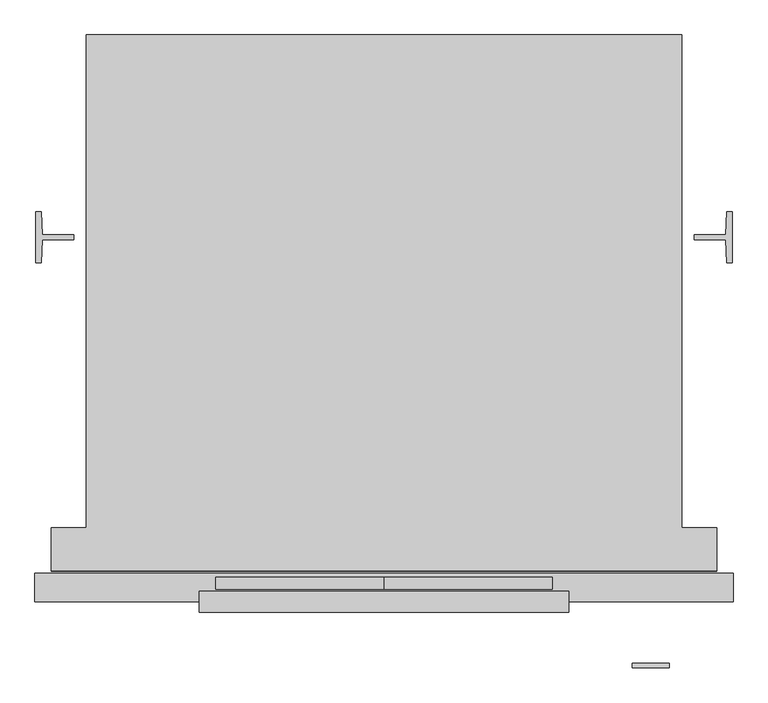
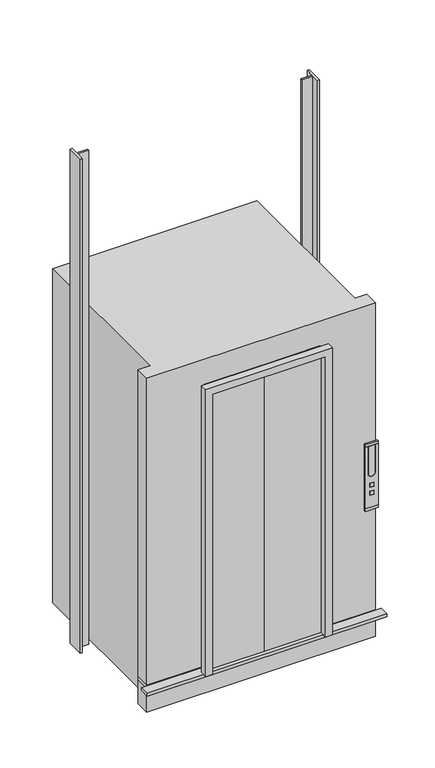
"""IFC4 building model written with IfcOpenShell, lengths in millimetres: proxy geometry."""

import ifcopenshell
import ifcopenshell.guid

model = None  # the IFC model being written
_history = None  # IfcOwnerHistory: only IFC2X3 demands one
_inside = {}  # id of a spatial element -> (the spatial element, [elements in it])
_under = {}  # id of a project, library or spatial element -> (it, [spatial elements below it])
_declared = {}  # id of a project -> (the project, [libraries it declares])
_typed = {}  # id of a type object -> (the type object, [elements of that type])
_made_of = {}  # id of a material, layer set ... -> (it, [elements and type objects made of it])


def new_model(schema):
    """Start an empty IFC model of exactly this schema.

    Asked for "IFC4X3", IfcOpenShell would pick the latest addendum, in which some entities
    have other attributes; the version numbers below select the first issue.
    IFC2X3 requires an IfcOwnerHistory on every rooted entity: one is made here for all.
    """
    global model, _history
    if schema == "IFC4X3":
        model = ifcopenshell.file(schema_version=(4, 3, 0, 0))
    else:
        model = ifcopenshell.file(schema=schema)
    _inside.clear()
    _under.clear()
    _declared.clear()
    _typed.clear()
    _made_of.clear()
    _history = None
    if model.schema == "IFC2X3":
        org = make("IfcOrganization", Name="unknown")
        user = make(
            "IfcPersonAndOrganization",
            ThePerson=make("IfcPerson", FamilyName="unknown"),
            TheOrganization=org,
        )
        app = make(
            "IfcApplication",
            ApplicationDeveloper=org,
            Version="unknown",
            ApplicationFullName="unknown",
            ApplicationIdentifier="unknown",
        )
        _history = make(
            "IfcOwnerHistory",
            OwningUser=user,
            OwningApplication=app,
            ChangeAction="ADDED",
            CreationDate=0,
        )
    return model


def make(cls, **values):
    """One entity of the class cls with the attributes given. An attribute that is None is left unset."""
    return model.create_entity(
        cls, **{name: value for name, value in values.items() if value is not None}
    )


def rooted(cls, **values):
    """An entity with a GlobalId (a new one), such as an element, a storey or a relation."""
    return make(cls, GlobalId=ifcopenshell.guid.new(), OwnerHistory=_history, **values)


def si_unit(unit_type, name, prefix=None):
    """IfcSIUnit, for example si_unit("LENGTHUNIT", "METRE", prefix="MILLI")."""
    return make("IfcSIUnit", UnitType=unit_type, Prefix=prefix, Name=name)


def assignment(units):
    """IfcUnitAssignment: the units of a project."""
    return None if units is None else make("IfcUnitAssignment", Units=units)


def point(xyz):
    """IfcCartesianPoint."""
    return None if xyz is None else make("IfcCartesianPoint", Coordinates=xyz)


def direction(xyz):
    """IfcDirection."""
    return None if xyz is None else make("IfcDirection", DirectionRatios=xyz)


def frame(location, z_axis=None, x_axis=None):
    """IfcAxis2Placement3D, a coordinate frame: its origin and axes. An axis left out is left unset."""
    return make(
        "IfcAxis2Placement3D",
        Location=point(location),
        Axis=direction(z_axis),
        RefDirection=direction(x_axis),
    )


def frame_2d(location, x_axis=None):
    """IfcAxis2Placement2D, a coordinate frame in the plane: its origin and x axis."""
    return make(
        "IfcAxis2Placement2D", Location=point(location), RefDirection=direction(x_axis)
    )


def origin():
    """The frame at (0, 0, 0) with its axes left unset."""
    return frame((0.0, 0.0, 0.0))


def origin_with_axes():
    """The frame at (0, 0, 0) with the z axis (0, 0, 1) and the x axis (1, 0, 0) written out."""
    return frame((0.0, 0.0, 0.0), z_axis=(0.0, 0.0, 1.0), x_axis=(1.0, 0.0, 0.0))


def place(relative_to, where):
    """IfcLocalPlacement: puts the frame where relative to a parent placement (None: the world)."""
    return make(
        "IfcLocalPlacement", PlacementRelTo=relative_to, RelativePlacement=where
    )


def context(
    kind, dimensions, precision=None, world=None, true_north=None, identifier=None
):
    """IfcGeometricRepresentationContext, for example the 3D "Model" context."""
    return make(
        "IfcGeometricRepresentationContext",
        ContextIdentifier=identifier,
        ContextType=kind,
        CoordinateSpaceDimension=dimensions,
        Precision=precision,
        WorldCoordinateSystem=world,
        TrueNorth=true_north,
    )


def project(units=None, contexts=None):
    """IfcProject with its units and contexts."""
    return rooted(
        "IfcProject",
        Name="project",
        RepresentationContexts=contexts,
        UnitsInContext=assignment(units),
    )


def spatial(cls, under=None, at=None, **own):
    """A site, building, storey or space (cls), placed at a placement, below another one or the project."""
    s = rooted(cls, ObjectPlacement=at, **own)
    if under is not None:
        _under.setdefault(under.id(), (under, []))[1].append(s)
    return s


def polyline(points):
    """IfcPolyline through the points."""
    return make("IfcPolyline", Points=[point(p) for p in points])


def circle_curve(where, radius):
    """IfcCircle in the frame where."""
    return make("IfcCircle", Position=where, Radius=radius)


def trimmed(basis, trim1, trim2, sense, master):
    """IfcTrimmedCurve: the piece of a basis curve between two trims."""
    return make(
        "IfcTrimmedCurve",
        BasisCurve=basis,
        Trim1=trim1,
        Trim2=trim2,
        SenseAgreement=sense,
        MasterRepresentation=master,
    )


def segment(curve, same_sense, transition):
    """IfcCompositeCurveSegment."""
    return make(
        "IfcCompositeCurveSegment",
        Transition=transition,
        SameSense=same_sense,
        ParentCurve=curve,
    )


def composite_curve(segments, self_intersect=None):
    """IfcCompositeCurve: segments joined end to end."""
    return make("IfcCompositeCurve", Segments=segments, SelfIntersect=self_intersect)


def outline(outer, holes=None, kind="AREA"):
    """IfcArbitraryClosedProfileDef: a profile drawn as a closed curve; with holes, ...WithVoids."""
    if holes is None:
        return make("IfcArbitraryClosedProfileDef", ProfileType=kind, OuterCurve=outer)
    return make(
        "IfcArbitraryProfileDefWithVoids",
        ProfileType=kind,
        OuterCurve=outer,
        InnerCurves=holes,
    )


def extrude(swept, where, along, depth):
    """IfcExtrudedAreaSolid: the profile swept, set in the frame where, extruded along a direction by depth."""
    return make(
        "IfcExtrudedAreaSolid",
        SweptArea=swept,
        Position=where,
        ExtrudedDirection=direction(along),
        Depth=depth,
    )


def faces_of(points, faces, orient=None, outer=None):
    """IfcFace entities. A face is a list of loops; a loop is a list of indices into points, from 0.

    orient and outer hold one flag for each loop. By default every Orientation is true, the
    first loop of a face is its IfcFaceOuterBound and the others are IfcFaceBound.
    """
    made = []
    for i, loops in enumerate(faces):
        bounds = []
        for j, loop in enumerate(loops):
            is_outer = j == 0 if outer is None else outer[i][j]
            bounds.append(
                make(
                    "IfcFaceOuterBound" if is_outer else "IfcFaceBound",
                    Bound=make("IfcPolyLoop", Polygon=[points[k] for k in loop]),
                    Orientation=True if orient is None else orient[i][j],
                )
            )
        made.append(make("IfcFace", Bounds=bounds))
    return made


def faceted_brep(points, faces, orient=None, outer=None, voids=None):
    """IfcFacetedBrep: a solid bounded by flat faces; with voids (closed shells), ...WithVoids."""
    shared = [point(p) for p in points]
    hull = make("IfcClosedShell", CfsFaces=faces_of(shared, faces, orient, outer))
    if voids is None:
        return make("IfcFacetedBrep", Outer=hull)
    return make(
        "IfcFacetedBrepWithVoids",
        Outer=hull,
        Voids=[
            make(cls, CfsFaces=faces_of(shared, fs, o, b)) for cls, fs, o, b in voids
        ],
    )


def shape(context_of_items, identifier, shape_type, items):
    """IfcShapeRepresentation: the items that make up one representation, for example the "Body"."""
    return make(
        "IfcShapeRepresentation",
        ContextOfItems=context_of_items,
        RepresentationIdentifier=identifier,
        RepresentationType=shape_type,
        Items=items,
    )


def source(mapping_origin, context_of_items, identifier, shape_type, items):
    """IfcRepresentationMap: a shape defined once, which mapped items show again and again."""
    return make(
        "IfcRepresentationMap",
        MappingOrigin=mapping_origin,
        MappedRepresentation=shape(context_of_items, identifier, shape_type, items),
    )


def transform(
    local_origin,
    x_axis=None,
    y_axis=None,
    z_axis=None,
    scale=None,
    scale2=None,
    scale3=None,
    uniform=True,
):
    """IfcCartesianTransformationOperator3D, or its non-uniform kind. x_axis, y_axis, z_axis: its Axis1, 2, 3."""
    if uniform:
        return make(
            "IfcCartesianTransformationOperator3D",
            Axis1=direction(x_axis),
            Axis2=direction(y_axis),
            LocalOrigin=point(local_origin),
            Scale=scale,
            Axis3=direction(z_axis),
        )
    return make(
        "IfcCartesianTransformationOperator3DnonUniform",
        Axis1=direction(x_axis),
        Axis2=direction(y_axis),
        LocalOrigin=point(local_origin),
        Scale=scale,
        Axis3=direction(z_axis),
        Scale2=scale2,
        Scale3=scale3,
    )


def mapped(mapping_source, mapping_target):
    """IfcMappedItem: shows the shape of a source again, moved by a transform."""
    return make(
        "IfcMappedItem", MappingSource=mapping_source, MappingTarget=mapping_target
    )


def made_of(thing, what):
    """Note that an element or type object is made of a material, layer set ...; save() writes the relation."""
    if what is not None:
        _made_of.setdefault(what.id(), (what, []))[1].append(thing)
    return thing


def element(
    cls,
    number,
    at=None,
    inside=None,
    cuts=None,
    type_object=None,
    material=None,
    context=None,
    identifier="Body",
    shape_type=None,
    held_by="IfcProductDefinitionShape",
    body=None,
    shapes=None,
    **own,
):
    """One element of the class cls, such as IfcWall. Its Tag is "e" and its number.

    at: its placement. inside: the storey or other place that contains it. cuts: it is an
    opening in that element (IfcRelVoidsElement). A single representation is given by context,
    identifier, shape_type and body (its items); several are given by shapes. held_by: the class
    of the entity that holds the representations. save() writes the other relations.
    """
    e = rooted(cls, Tag="e%d" % number, ObjectPlacement=at, **own)
    if body is not None:
        shapes = [shape(context, identifier, shape_type, body)]
    if shapes is not None:
        e.Representation = make(held_by, Representations=shapes)
    if inside is not None:
        _inside.setdefault(inside.id(), (inside, []))[1].append(e)
    if cuts is not None:
        rooted(
            "IfcRelVoidsElement", RelatingBuildingElement=cuts, RelatedOpeningElement=e
        )
    if type_object is not None:
        _typed.setdefault(type_object.id(), (type_object, []))[1].append(e)
    return made_of(e, material)


def aggregate(whole, parts):
    """IfcRelAggregates: a whole, such as a stair, and the parts it consists of."""
    return rooted("IfcRelAggregates", RelatingObject=whole, RelatedObjects=parts)


def save(model, path):
    """Write the relations noted so far, then the file.

    IfcRelAggregates (storeys below a building ...), IfcRelContainedInSpatialStructure (elements
    in a storey), IfcRelDefinesByType, IfcRelAssociatesMaterial and IfcRelDeclares: one each for
    every whole, place, type object, material and project.
    """
    for whole, parts in _under.values():
        aggregate(whole, parts)
    for where, things in _inside.values():
        rooted(
            "IfcRelContainedInSpatialStructure",
            RelatedElements=things,
            RelatingStructure=where,
        )
    for kind, things in _typed.values():
        rooted("IfcRelDefinesByType", RelatedObjects=things, RelatingType=kind)
    for what, things in _made_of.values():
        rooted("IfcRelAssociatesMaterial", RelatedObjects=things, RelatingMaterial=what)
    for by, libraries in _declared.values():
        rooted("IfcRelDeclares", RelatingContext=by, RelatedDefinitions=libraries)
    model.write(path)


def specialty_equipment_d755c605(model_context):
    return source(origin(), model_context, "Body", "SolidModel", [
        extrude(outline(composite_curve([segment(polyline([(1430.0, 750.0), (1225.0, 750.0)]), True, "CONTINUOUS"), segment(trimmed(circle_curve(frame_2d((1225.0, 775.0)), 25.0), [point((1225.0, 750.0))], [point((1225.0, 800.0))], False, "CARTESIAN"), True, "CONTINUOUS"), segment(polyline([(1225.0, 800.0), (1430.0, 800.0), (1430.0, 750.0)]), True, "CONTINUOUS")], self_intersect=False)), frame((0.0, -85.0, 0.0), z_axis=(0.0, 1.0, 0.0), x_axis=(0.0, 0.0, 1.0)), (0.0, 0.0, 1.0), 10.0),
        extrude(outline(polyline([(790.0, -85.0), (760.0, -85.0), (760.0, -75.0), (790.0, -75.0), (790.0, -85.0)])), frame((0.0, 0.0, 1120.0), z_axis=(0.0, 0.0, 1.0), x_axis=(1.0, 0.0, 0.0)), (0.0, 0.0, 1.0), 30.0),
        extrude(outline(polyline([(790.0, -85.0), (760.0, -85.0), (760.0, -75.0), (790.0, -75.0), (790.0, -85.0)])), frame((0.0, 0.0, 1060.0), z_axis=(0.0, 0.0, 1.0), x_axis=(1.0, 0.0, 0.0)), (0.0, 0.0, 1.0), 30.0),
        extrude(outline(composite_curve([segment(polyline([(970.0, 730.0), (970.0, 820.0), (1430.0, 820.0), (1430.0, 800.0), (1225.0, 800.0)]), True, "CONTINUOUS"), segment(trimmed(circle_curve(frame_2d((1225.0, 775.0)), 25.0), [point((1225.0, 800.0))], [point((1225.0, 750.0))], True, "CARTESIAN"), True, "CONTINUOUS"), segment(polyline([(1225.0, 750.0), (1430.0, 750.0), (1430.0, 730.0), (970.0, 730.0)]), True, "CONTINUOUS")], self_intersect=False), holes=[polyline([(1150.0, 760.0), (1150.0, 790.0), (1120.0, 790.0), (1120.0, 760.0), (1150.0, 760.0)]), polyline([(1090.0, 760.0), (1090.0, 790.0), (1060.0, 790.0), (1060.0, 760.0), (1090.0, 760.0)])]), frame((0.0, -85.0, 0.0), z_axis=(0.0, 1.0, 0.0), x_axis=(0.0, 0.0, 1.0)), (0.0, 0.0, 1.0), 10.0),
        extrude(outline(polyline([(820.0, -85.0), (730.0, -85.0), (730.0, -75.0), (820.0, -75.0), (820.0, -85.0)])), frame((0.0, 0.0, 1430.0), z_axis=(0.0, 0.0, 1.0), x_axis=(1.0, 0.0, 0.0)), (0.0, 0.0, 1.0), 20.0),
        extrude(outline(polyline([(820.0, -85.0), (730.0, -85.0), (730.0, -75.0), (820.0, -75.0), (820.0, -85.0)])), frame((0.0, 0.0, 950.0), z_axis=(0.0, 0.0, 1.0), x_axis=(1.0, 0.0, 0.0)), (0.0, 0.0, 1.0), 20.0),
        extrude(outline(polyline([(-630.0, 969.0), (-630.0, 956.0), (-707.5, 956.0), (-710.0, 900.0), (-722.5, 900.0), (-722.5, 1025.0), (-710.0, 1025.0), (-707.5, 969.0), (-630.0, 969.0)])), frame((0.0, 0.0, -200.0), z_axis=(0.0, 0.0, 1.0), x_axis=(1.0, 0.0, 0.0)), (0.0, 0.0, 1.0), 3700.0),
        extrude(outline(polyline([(880.0, 969.0), (957.5, 969.0), (960.0, 1025.0), (972.5, 1025.0), (972.5, 900.0), (960.0, 900.0), (957.5, 956.0), (880.0, 956.0), (880.0, 969.0)])), frame((0.0, 0.0, -200.0), z_axis=(0.0, 0.0, 1.0), x_axis=(1.0, 0.0, 0.0)), (0.0, 0.0, 1.0), 3700.0),
        extrude(outline(polyline([(-521.291353, 444.9359647), (-519.1769257, 449.4668804), (-337.9402977, 364.8897874), (-340.054725, 360.3588717), (-521.291353, 444.9359647)])), origin_with_axes(), (0.0, 0.0, 1.0), 2260.0),
        extrude(outline(polyline([(-298.6470648, 330.0), (-585.0, 463.6313698), (-585.0, 470.0), (-575.0, 470.0), (-275.0, 330.0), (-298.6470648, 330.0)])), origin_with_axes(), (0.0, 0.0, 1.0), 2260.0),
        extrude(outline(polyline([(525.0, 330.0), (825.0, 470.0), (835.0, 470.0), (835.0, 463.6313698), (548.6470648, 330.0), (525.0, 330.0)])), origin_with_axes(), (0.0, 0.0, 1.0), 2260.0),
        extrude(outline(polyline([(-298.6470648, 330.0), (548.6470648, 330.0), (535.0, 323.6313698), (535.0, 320.0), (-285.0, 320.0), (-285.0, 323.6313698), (-298.6470648, 330.0)])), frame((0.0, 0.0, 2100.0), z_axis=(0.0, 0.0, 1.0), x_axis=(1.0, 0.0, 0.0)), (0.0, 0.0, 1.0), 160.0),
        extrude(outline(polyline([(-585.0, 463.6313698), (-585.0, 1440.0), (835.0, 1440.0), (835.0, 463.6313698), (535.0, 323.6313698), (535.0, 255.0), (-285.0, 255.0), (-285.0, 323.6313698), (-585.0, 463.6313698)])), frame((0.0, 0.0, 2260.0), z_axis=(0.0, 0.0, 1.0), x_axis=(1.0, 0.0, 0.0)), (0.0, 0.0, 1.0), 10.0),
        extrude(outline(polyline([(-685.0, 255.0), (935.0, 255.0), (935.0, 150.0), (-685.0, 150.0), (-685.0, 255.0)])), frame((0.0, 0.0, -20.0), z_axis=(0.0, 0.0, 1.0), x_axis=(1.0, 0.0, 0.0)), (0.0, 0.0, 1.0), 20.0),
        extrude(outline(polyline([(975.0, 145.0), (975.0, 75.0), (-725.0, 75.0), (-725.0, 145.0), (975.0, 145.0)])), frame((0.0, 0.0, -20.0), z_axis=(0.0, 0.0, 1.0), x_axis=(1.0, 0.0, 0.0)), (0.0, 0.0, 1.0), 20.0),
        extrude(outline(polyline([(-575.0, 1430.0), (-575.0, 470.0), (-585.0, 470.0), (-585.0, 1440.0), (835.0, 1440.0), (835.0, 470.0), (825.0, 470.0), (825.0, 1430.0), (-575.0, 1430.0)])), frame((0.0, 0.0, 80.0), z_axis=(0.0, 0.0, 1.0), x_axis=(1.0, 0.0, 0.0)), (0.0, 0.0, 1.0), 2180.0),
        extrude(outline(polyline([(-575.0, 1430.0), (825.0, 1430.0), (825.0, 470.0), (525.0, 330.0), (525.0, 255.0), (-275.0, 255.0), (-275.0, 330.0), (-575.0, 470.0), (-575.0, 1430.0)])), frame((0.0, 0.0, -200.0), z_axis=(0.0, 0.0, 1.0), x_axis=(1.0, 0.0, 0.0)), (0.0, 0.0, 1.0), 200.0),
        extrude(outline(polyline([(-575.0, 470.0), (-585.0, 470.0), (-585.0, 1440.0), (835.0, 1440.0), (835.0, 470.0), (825.0, 470.0), (825.0, 1430.0), (-575.0, 1430.0), (-575.0, 470.0)])), origin_with_axes(), (0.0, 0.0, 1.0), 80.0),
        extrude(outline(polyline([(0.0, 525.0), (0.0, 575.0), (2150.0, 575.0), (2150.0, -325.0), (0.0, -325.0), (0.0, -275.0), (2100.0, -275.0), (2100.0, 525.0), (0.0, 525.0)])), frame((0.0, 50.0, 0.0), z_axis=(0.0, 1.0, 0.0), x_axis=(0.0, 0.0, 1.0)), (0.0, 0.0, 1.0), 50.0),
        extrude(outline(polyline([(125.5, 135.0), (535.0, 135.0), (535.0, 105.0), (125.5, 105.0), (125.5, 135.0)])), origin_with_axes(), (0.0, 0.0, 1.0), 2125.0),
        extrude(outline(polyline([(-285.0, 135.0), (124.5, 135.0), (124.5, 105.0), (-285.0, 105.0), (-285.0, 135.0)])), origin_with_axes(), (0.0, 0.0, 1.0), 2125.0),
        extrude(outline(polyline([(124.5, 250.0), (124.5, 220.0), (-285.0, 220.0), (-285.0, 250.0), (124.5, 250.0)])), origin_with_axes(), (0.0, 0.0, 1.0), 2125.0),
        extrude(outline(polyline([(125.5, 220.0), (125.5, 250.0), (535.0, 250.0), (535.0, 220.0), (125.5, 220.0)])), origin_with_axes(), (0.0, 0.0, 1.0), 2125.0),
        faceted_brep([(850.0, 255.0, 2300.0), (850.0, 1455.0, 2300.0), (-600.0, 1455.0, 2300.0), (-600.0, 255.0, 2300.0), (-685.0, 255.0, 2300.0), (-685.0, 150.0, 2300.0), (935.0, 150.0, 2300.0), (935.0, 255.0, 2300.0), (850.0, 255.0, -200.0), (935.0, 255.0, -200.0), (935.0, 150.0, -200.0), (-685.0, 150.0, -200.0), (-685.0, 255.0, -200.0), (-600.0, 255.0, -200.0), (-600.0, 1455.0, -200.0), (850.0, 1455.0, -200.0), (535.0, 150.0, -20.0), (-285.0, 150.0, -20.0), (-285.0, 150.0, 2100.0), (535.0, 150.0, 2100.0), (-285.0, 323.6313698, 2270.0), (-585.0, 463.6313698, 2270.0), (-585.0, 1440.0, 2270.0), (835.0, 1440.0, 2270.0), (835.0, 463.6313698, 2270.0), (535.0, 323.6313698, 2270.0), (535.0, 320.0, 2270.0), (-285.0, 320.0, 2270.0), (535.0, 323.6313698, -20.0), (835.0, 463.6313698, -20.0), (835.0, 1440.0, -20.0), (-585.0, 1440.0, -20.0), (-585.0, 463.6313698, -20.0), (-285.0, 323.6313698, -20.0), (535.0, 320.0, 2100.0), (-285.0, 320.0, 2100.0)], [[[0, 1, 2, 3, 4, 5, 6, 7]], [[8, 9, 10, 11, 12, 13, 14, 15]], [[1, 0, 8, 15]], [[2, 1, 15, 14]], [[3, 2, 14, 13]], [[4, 3, 13, 12]], [[5, 4, 12, 11]], [[6, 5, 11, 10], [16, 17, 18, 19]], [[7, 6, 10, 9]], [[0, 7, 9, 8]], [[20, 21, 22, 23, 24, 25, 26, 27]], [[16, 28, 29, 30, 31, 32, 33, 17]], [[28, 16, 19, 34, 26, 25]], [[25, 24, 29, 28]], [[24, 23, 30, 29]], [[23, 22, 31, 30]], [[22, 21, 32, 31]], [[21, 20, 33, 32]], [[17, 33, 20, 27, 35, 18]], [[35, 34, 19, 18]], [[34, 35, 27, 26]]]),
    ])


if __name__ == "__main__":
    model = new_model("IFC4")
    model_context = context("Model", 3, world=origin())
    ifc_project = project(units=[si_unit("LENGTHUNIT", "METRE", prefix="MILLI")], contexts=[model_context])
    site = spatial("IfcSite", under=ifc_project)
    building = spatial("IfcBuilding", under=site)
    placement = place(None, origin())
    specialty_equipment_shape = specialty_equipment_d755c605(model_context)
    element("IfcBuildingElementProxy", 1, Name="Specialty Equipment", at=placement, inside=building, context=model_context, shape_type="MappedRepresentation", body=[
        mapped(specialty_equipment_shape, transform((0.0, 0.0, 0.0), x_axis=(1.0, 0.0, 0.0), y_axis=(0.0, 1.0, 0.0), z_axis=(0.0, 0.0, 1.0))),
    ])
    save(model, "model.ifc")
